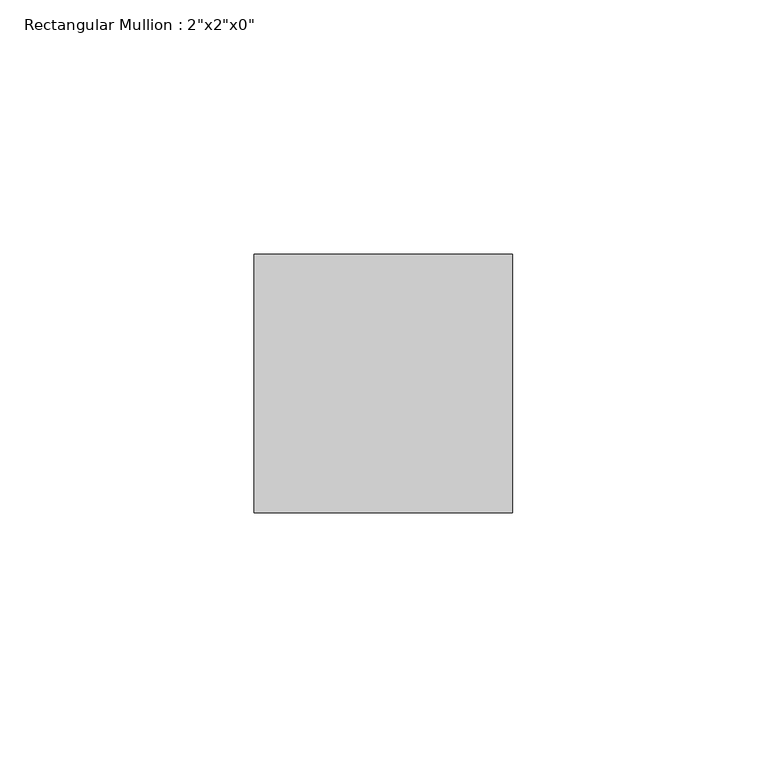
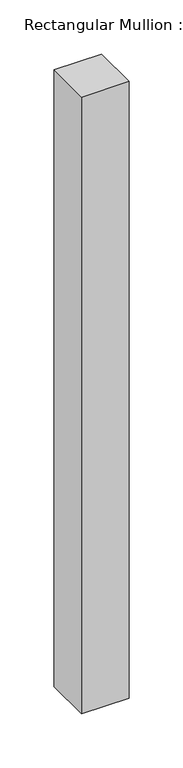
"""IFC4 building model written with IfcOpenShell, lengths in millimetres: member geometry."""

from ifc_helpers import new_model, si_unit, frame, origin, place, context, project, spatial, polyline, outline, extrude, source, transform, mapped, element, save


def member_d0c3a84d(model_context):
    return source(origin(), model_context, "Body", "SweptSolid", [
        extrude(outline(polyline([(25.4, 25.4), (25.4, -25.4), (-25.4, -25.4), (-25.4, 25.4), (25.4, 25.4)])), frame((0.0, 0.0, -696.6605611), z_axis=(0.0, 0.0, 1.0), x_axis=(1.0, 0.0, 0.0)), (0.0, 0.0, 1.0), 696.6605611),
    ])


if __name__ == "__main__":
    model = new_model("IFC4")
    model_context = context("Model", 3, world=origin())
    ifc_project = project(units=[si_unit("LENGTHUNIT", "METRE", prefix="MILLI")], contexts=[model_context])
    site = spatial("IfcSite", under=ifc_project)
    building = spatial("IfcBuilding", under=site)
    placement = place(None, origin())
    member_shape = member_d0c3a84d(model_context)
    element("IfcMember", 1, ObjectType="Rectangular Mullion : 2\"x2\"x0\"", at=placement, inside=building, context=model_context, shape_type="MappedRepresentation", body=[
        mapped(member_shape, transform((0.0, 0.0, 0.0), x_axis=(1.0, 0.0, 0.0), y_axis=(0.0, 1.0, 0.0), z_axis=(0.0, 0.0, 1.0))),
    ])
    save(model, "model.ifc")
